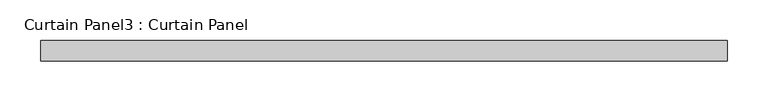
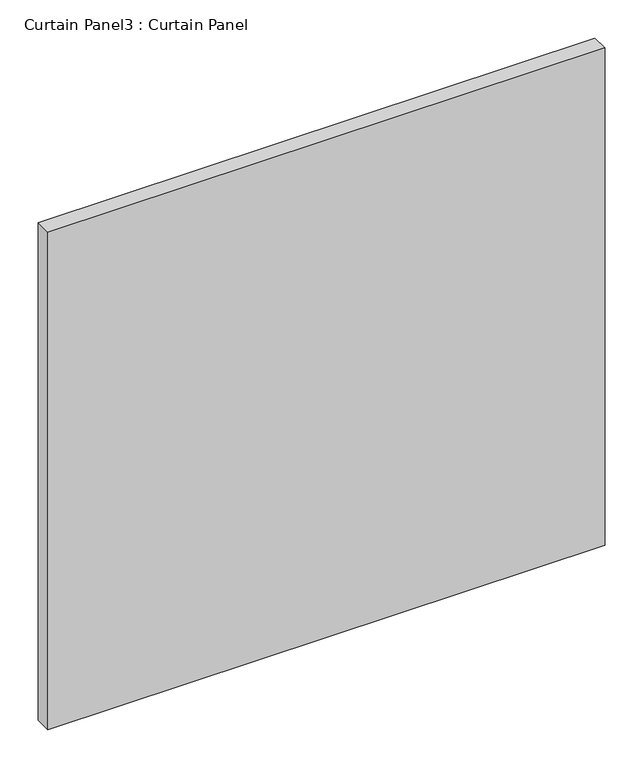
"""IFC4 building model written with IfcOpenShell, lengths in millimetres: plate geometry, Curtain Panel3 : Curtain Panel."""

from ifc_helpers import new_model, si_unit, frame, origin, place, context, project, spatial, polyline, outline, extrude, source, transform, mapped, element, save


def curtain_panel3_curtain_panel_2bb9e026(model_context):
    return source(origin(), model_context, "Body", "SweptSolid", [
        extrude(outline(polyline([(-13601.5010393, 2085.8025004), (-14445.644407, 2085.8025004), (-14445.644407, 2111.2025004), (-13601.5010393, 2111.2025004), (-13601.5010393, 2085.8025004)])), frame((0.0, 0.0, -297.0676735), z_axis=(0.0, 0.0, 1.0), x_axis=(1.0, 0.0, 0.0)), (0.0, 0.0, 1.0), 796.7687223),
    ])


if __name__ == "__main__":
    model = new_model("IFC4")
    model_context = context("Model", 3, world=origin())
    ifc_project = project(units=[si_unit("LENGTHUNIT", "METRE", prefix="MILLI")], contexts=[model_context])
    site = spatial("IfcSite", under=ifc_project)
    building = spatial("IfcBuilding", under=site)
    placement = place(None, origin())
    curtain_panel3_curtain_panel_shape = curtain_panel3_curtain_panel_2bb9e026(model_context)
    element("IfcPlate", 1, ObjectType="Curtain Panel3 : Curtain Panel", at=placement, inside=building, context=model_context, shape_type="MappedRepresentation", body=[
        mapped(curtain_panel3_curtain_panel_shape, transform((0.0, 0.0, 0.0), x_axis=(1.0, 0.0, 0.0), y_axis=(0.0, 1.0, 0.0), z_axis=(0.0, 0.0, 1.0))),
    ])
    save(model, "model.ifc")
